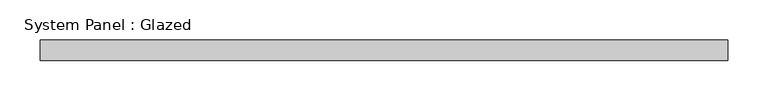
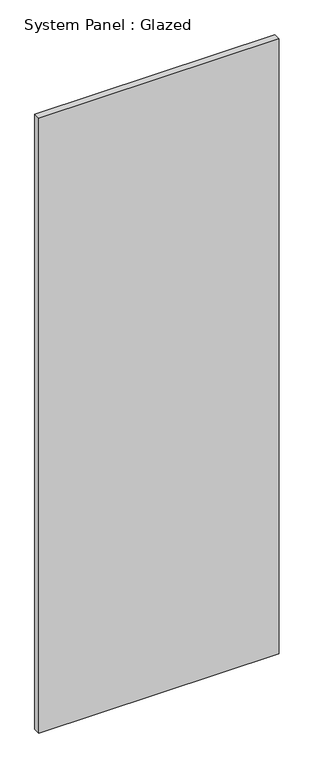
"""IFC4 building model written with IfcOpenShell, lengths in millimetres: plate geometry, System Panel : Glazed."""

from ifc_helpers import new_model, si_unit, origin, origin_with_axes, place, context, project, spatial, polyline, outline, extrude, source, transform, mapped, element, save


def system_panel_glazed_340abaee(model_context):
    return source(origin(), model_context, "Body", "SweptSolid", [
        extrude(outline(polyline([(425.0000002, 24.5), (-425.0000002, 24.5), (-425.0000002, 49.5), (425.0000002, 49.5), (425.0000002, 24.5)])), origin_with_axes(), (0.0, 0.0, 1.0), 2300.0),
    ])


if __name__ == "__main__":
    model = new_model("IFC4")
    model_context = context("Model", 3, world=origin())
    ifc_project = project(units=[si_unit("LENGTHUNIT", "METRE", prefix="MILLI")], contexts=[model_context])
    site = spatial("IfcSite", under=ifc_project)
    building = spatial("IfcBuilding", under=site)
    placement = place(None, origin())
    system_panel_glazed_shape = system_panel_glazed_340abaee(model_context)
    element("IfcPlate", 1, ObjectType="System Panel : Glazed", at=placement, inside=building, context=model_context, shape_type="MappedRepresentation", body=[
        mapped(system_panel_glazed_shape, transform((0.0, 0.0, 0.0), x_axis=(1.0, 0.0, 0.0), y_axis=(0.0, 1.0, 0.0), z_axis=(0.0, 0.0, 1.0))),
    ])
    save(model, "model.ifc")
